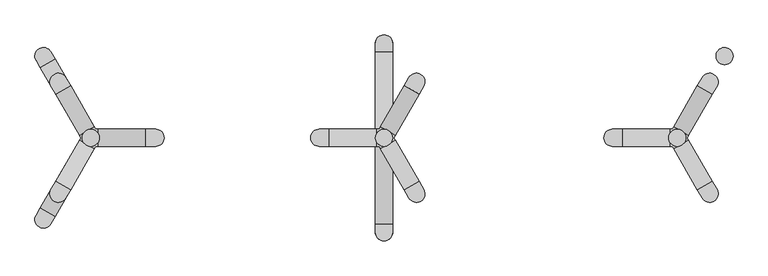
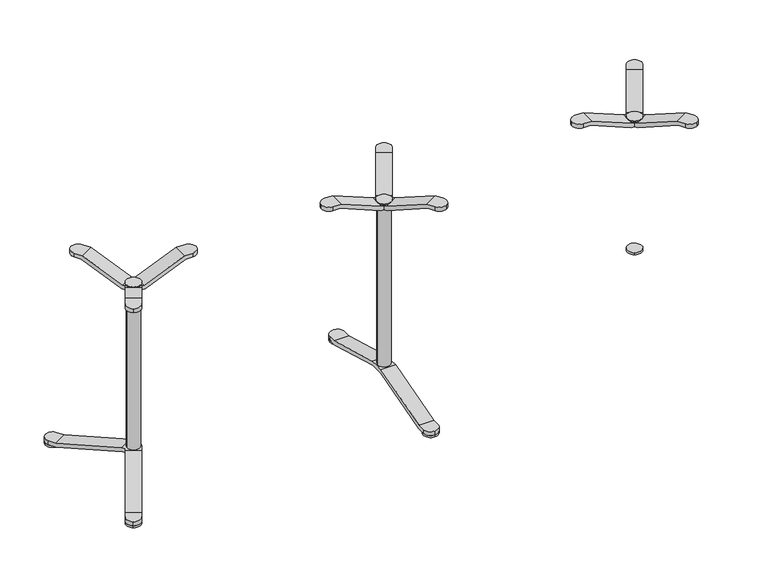
"""IFC4 building model written with IfcOpenShell, lengths in millimetres: furniture geometry."""

from ifc_helpers import new_model, si_unit, point, frame, frame_2d, origin, origin_with_axes, origin_2d, place, context, project, spatial, circle_curve, ellipse_curve, trimmed, segment, composite_curve, outline, extrude, source, transform, mapped, element, save
from ifc_brep_helpers import plane_surface, cylinder_surface, advanced_brep


def furniture_a04db0ed(model_context):
    return source(origin(), model_context, "Body", "SolidModel", [
        advanced_brep(
        [(-226.0569027, -35.0, 1024.0), (-226.0569027, 35.0, 1024.0), (-265.0, 35.0, 1024.0), (-300.0, 0.0, 1024.0), (-265.0, -35.0, 1024.0), (-230.0, -35.0, 1004.0), (-265.0, -35.0, 1004.0), (-300.0, 0.0, 1004.0), (-265.0, 35.0, 1004.0), (-230.0, 35.0, 1004.0), (-31.0569027, -35.0, 944.0), (-31.0569027, -16.1390456, 944.0), (-35.0, 0.0, 945.6176809), (-31.0569027, 16.1390456, 944.0), (-31.0569027, 35.0, 944.0), (-35.0, 35.0, 924.0), (-35.0, -35.0, 924.0), (-35.0, 0.0, 948.0), (35.0, 0.0, 948.0), (1.5516279, -34.9655895, 944.0), (29.5052748, -18.8265439, 944.0), (35.0, 0.0, 944.0), (29.5052748, 18.8265439, 944.0), (1.5516279, 34.9655895, 944.0), (-20.2072594, -35.0, 924.0), (-20.2072594, -35.0, 944.0), (-20.2072594, 35.0, 944.0), (-20.2072594, 35.0, 924.0), (-14.7824378, -44.3960667, 944.0), (-14.7824378, 44.3960667, 944.0), (45.8393405, 9.3960667, 944.0), (45.8393405, -9.3960667, 944.0), (40.4145188, 0.0, 944.0), (-12.8108891, 47.8108891, 924.0), (47.8108891, 12.8108891, 924.0), (40.4145188, 0.0, 924.0), (47.8108891, -12.8108891, 924.0), (-12.8108891, -47.8108891, 924.0), (82.7175622, 213.2710205, 1024.0), (143.3393405, 178.2710205, 1024.0), (162.8108891, 211.996732, 1024.0), (150.0, 259.8076211, 1024.0), (102.1891109, 246.996732, 1024.0), (84.6891109, 216.6858429, 1004.0), (102.1891109, 246.996732, 1004.0), (150.0, 259.8076211, 1004.0), (162.8108891, 211.996732, 1004.0), (145.3108891, 181.6858429, 1004.0), (150.0, -259.8076211, 1024.0), (162.8108891, -211.996732, 1024.0), (143.3393405, -178.2710205, 1024.0), (82.7175622, -213.2710205, 1024.0), (102.1891109, -246.996732, 1024.0), (150.0, -259.8076211, 1004.0), (102.1891109, -246.996732, 1004.0), (84.6891109, -216.6858429, 1004.0), (145.3108891, -181.6858429, 1004.0), (162.8108891, -211.996732, 1004.0)],
        [
            (0, 1),
            (1, 2),
            (2, 3, circle_curve(frame((-265.0, 0.0, 1024.0), z_axis=(0.0, 0.0, 1.0), x_axis=(1.0, 0.0, 0.0)), 35.0)),
            (3, 4, circle_curve(frame((-265.0, 0.0, 1024.0), z_axis=(0.0, 0.0, 1.0), x_axis=(1.0, 0.0, 0.0)), 35.0)),
            (4, 0),
            (5, 6),
            (6, 7, circle_curve(frame((-265.0, 0.0, 1004.0), z_axis=(0.0, 0.0, -1.0), x_axis=(1.0, 0.0, 0.0)), 35.0)),
            (7, 8, circle_curve(frame((-265.0, 0.0, 1004.0), z_axis=(0.0, 0.0, -1.0), x_axis=(1.0, 0.0, 0.0)), 35.0)),
            (8, 9),
            (9, 5),
            (3, 7),
            (6, 4),
            (2, 8),
            (0, 10),
            (10, 11),
            (11, 12, ellipse_curve(frame((0.0, 0.0, 931.2587066), z_axis=(-0.37955635625630724, 0.0, -0.9251686183747454), x_axis=(-0.9251686183747455, 0.0, 0.37955635625630696)), 37.8309416, 35.0)),
            (12, 13, ellipse_curve(frame((0.0, 0.0, 931.2587066), z_axis=(-0.37955635625630724, 0.0, -0.9251686183747454), x_axis=(-0.9251686183747455, 0.0, 0.37955635625630696)), 37.8309416, 35.0)),
            (13, 14),
            (14, 1),
            (9, 15),
            (15, 16),
            (16, 5),
            (17, 18, circle_curve(frame((0.0, 0.0, 948.0), z_axis=(0.0, 0.0, 1.0), x_axis=(1.0, 0.0, 0.0)), 35.0)),
            (18, 17, circle_curve(frame((0.0, 0.0, 948.0), z_axis=(0.0, 0.0, 1.0), x_axis=(1.0, 0.0, 0.0)), 35.0)),
            (17, 12),
            (11, 19, circle_curve(frame((0.0, 0.0, 944.0), z_axis=(0.0, 0.0, 1.0), x_axis=(1.0, 0.0, 0.0)), 35.0)),
            (19, 20, ellipse_curve(frame((0.0, 0.0, 931.2587066), z_axis=(-0.18977817812817024, 0.32870544668580903, 0.9251686183747454), x_axis=(0.46258430918741966, -0.8012195262966529, 0.37955635625630724)), 37.8309416, 35.0)),
            (20, 21, circle_curve(frame((0.0, 0.0, 944.0), z_axis=(0.0, 0.0, 1.0), x_axis=(1.0, 0.0, 0.0)), 35.0)),
            (21, 18),
            (21, 22, circle_curve(frame((0.0, 0.0, 944.0), z_axis=(0.0, 0.0, 1.0), x_axis=(1.0, 0.0, 0.0)), 35.0)),
            (22, 23, ellipse_curve(frame((0.0, 0.0, 931.2587066), z_axis=(-0.18977817812813838, -0.3287054466858273, 0.9251686183747454), x_axis=(0.4625843091873421, 0.8012195262966977, 0.3795563562563073)), 37.8309416, 35.0)),
            (23, 13, circle_curve(frame((0.0, 0.0, 944.0), z_axis=(0.0, 0.0, 1.0), x_axis=(1.0, 0.0, 0.0)), 35.0)),
            (16, 24),
            (24, 25),
            (25, 10),
            (14, 26),
            (26, 27),
            (27, 15),
            (25, 28),
            (28, 19),
            (23, 29),
            (29, 26),
            (30, 22),
            (20, 31),
            (31, 32),
            (32, 30),
            (27, 33),
            (33, 34),
            (34, 35),
            (35, 36),
            (36, 37),
            (37, 24),
            (38, 39),
            (39, 40),
            (40, 41, circle_curve(frame((132.5, 229.496732, 1024.0), z_axis=(0.0, 0.0, 1.0), x_axis=(-0.5000000000000033, -0.8660254037844368, 0.0)), 35.0)),
            (41, 42, circle_curve(frame((132.5, 229.496732, 1024.0), z_axis=(0.0, 0.0, 1.0), x_axis=(-0.5000000000000033, -0.8660254037844368, 0.0)), 35.0)),
            (42, 38),
            (43, 44),
            (44, 45, circle_curve(frame((132.5, 229.496732, 1004.0), z_axis=(0.0, 0.0, -1.0), x_axis=(-0.5000000000000033, -0.8660254037844368, 0.0)), 35.0)),
            (45, 46, circle_curve(frame((132.5, 229.496732, 1004.0), z_axis=(0.0, 0.0, -1.0), x_axis=(-0.5000000000000033, -0.8660254037844368, 0.0)), 35.0)),
            (46, 47),
            (47, 43),
            (41, 45),
            (44, 42),
            (40, 46),
            (38, 29),
            (30, 39),
            (47, 34),
            (33, 43),
            (32, 35),
            (48, 49, circle_curve(frame((132.5, -229.496732, 1024.0), z_axis=(0.0, 0.0, 1.0), x_axis=(-0.4999999999999982, 0.8660254037844397, 0.0)), 35.0)),
            (49, 50),
            (50, 51),
            (51, 52),
            (52, 48, circle_curve(frame((132.5, -229.496732, 1024.0), z_axis=(0.0, 0.0, 1.0), x_axis=(-0.4999999999999982, 0.8660254037844397, 0.0)), 35.0)),
            (53, 54, circle_curve(frame((132.5, -229.496732, 1004.0), z_axis=(0.0, 0.0, -1.0), x_axis=(-0.4999999999999982, 0.8660254037844397, 0.0)), 35.0)),
            (54, 55),
            (55, 56),
            (56, 57),
            (57, 53, circle_curve(frame((132.5, -229.496732, 1004.0), z_axis=(0.0, 0.0, -1.0), x_axis=(-0.4999999999999982, 0.8660254037844397, 0.0)), 35.0)),
            (48, 53),
            (57, 49),
            (52, 54),
            (50, 31),
            (28, 51),
            (55, 37),
            (36, 56),
        ],
        [
            plane_surface(frame((-230.0, 0.0, 1024.0), z_axis=(0.0, 0.0, 1.0), x_axis=(0.0, 1.0, 0.0))),
            plane_surface(frame((-230.0, 0.0, 1004.0), z_axis=(0.0, 0.0, -1.0), x_axis=(0.0, -1.0, 0.0))),
            cylinder_surface(frame((-265.0, 0.0, 1004.0), z_axis=(0.0, 0.0, 1.0), x_axis=(1.0, 0.0, 0.0)), 35.0),
            plane_surface(frame((-226.0569027, -35.0, 1024.0), z_axis=(0.37955635625630724, 0.0, 0.9251686183747454), x_axis=(0.9251686183747454, 0.0, -0.37955635625630724))),
            plane_surface(frame((-230.0, 35.0, 1004.0), z_axis=(-0.37955635625630724, 0.0, -0.9251686183747454), x_axis=(0.9251686183747454, 0.0, -0.37955635625630724))),
            plane_surface(frame((35.0, 0.0, 948.0), z_axis=(0.0, 0.0, 1.0), x_axis=(0.0, 1.0, 0.0))),
            cylinder_surface(frame((0.0, 0.0, 924.0), z_axis=(0.0, 0.0, 1.0), x_axis=(1.0, 0.0, 0.0)), 35.0),
            plane_surface(frame((-265.0, -35.0, 1004.0), z_axis=(0.0, -1.0, 0.0), x_axis=(1.0, 0.0, 0.0))),
            plane_surface(frame((-265.0, 35.0, 1024.0), z_axis=(0.0, 1.0, 0.0), x_axis=(1.0, 0.0, 0.0))),
            plane_surface(frame((-31.0569027, -35.0, 944.0), z_axis=(0.0, 0.0, 1.0), x_axis=(1.0, 0.0, 0.0))),
            plane_surface(frame((-35.0, 35.0, 924.0), z_axis=(0.0, 0.0, -1.0), x_axis=(1.0, 0.0, 0.0))),
            plane_surface(frame((115.0, 199.1858429, 1024.0), z_axis=(0.0, 0.0, 1.0000000000000002), x_axis=(0.8660254037844368, -0.5000000000000033, 0.0))),
            plane_surface(frame((115.0, 199.1858429, 1004.0), z_axis=(0.0, 0.0, -1.0000000000000002), x_axis=(-0.8660254037844368, 0.5000000000000033, 0.0))),
            cylinder_surface(frame((132.5, 229.496732, 1004.0), z_axis=(0.0, 0.0, 1.0000000000000002), x_axis=(-0.5000000000000033, -0.8660254037844368, 0.0)), 35.0),
            plane_surface(frame((82.7175622, 213.2710205, 1024.0), z_axis=(-0.18977817812813838, -0.3287054466858273, 0.9251686183747454), x_axis=(-0.46258430918737786, -0.8012195262966771, -0.379556356256307))),
            plane_surface(frame((145.3108891, 181.6858429, 1004.0), z_axis=(0.18977817812813805, 0.32870544668582763, -0.9251686183747454), x_axis=(-0.46258430918737803, -0.801219526296677, -0.3795563562563071))),
            plane_surface(frame((102.1891109, 246.996732, 1004.0), z_axis=(-0.8660254037844353, 0.500000000000006, 0.0), x_axis=(-0.500000000000006, -0.8660254037844353, 0.0))),
            plane_surface(frame((162.8108891, 211.996732, 1024.0), z_axis=(0.8660254037844354, -0.5000000000000057, 0.0), x_axis=(-0.5000000000000057, -0.8660254037844354, 0.0))),
            plane_surface(frame((115.0, -199.1858429, 1024.0), z_axis=(0.0, 0.0, 1.0), x_axis=(-0.8660254037844397, -0.4999999999999982, 0.0))),
            plane_surface(frame((115.0, -199.1858429, 1004.0), z_axis=(0.0, 0.0, -1.0), x_axis=(0.8660254037844397, 0.4999999999999982, 0.0))),
            cylinder_surface(frame((132.5, -229.496732, 1004.0), z_axis=(0.0, 0.0, 1.0), x_axis=(-0.4999999999999982, 0.8660254037844397, 0.0)), 35.0),
            plane_surface(frame((143.3393405, -178.2710205, 1024.0), z_axis=(-0.18977817812817024, 0.32870544668580903, 0.9251686183747454), x_axis=(-0.462584309187371, 0.801219526296681, -0.3795563562563072))),
            plane_surface(frame((84.6891109, -216.6858429, 1004.0), z_axis=(0.1897781781281706, -0.32870544668580876, -0.9251686183747455), x_axis=(-0.46258430918737103, 0.8012195262966811, -0.3795563562563071))),
            plane_surface(frame((162.8108891, -211.996732, 1004.0), z_axis=(0.8660254037844399, 0.4999999999999979, 0.0), x_axis=(-0.4999999999999979, 0.8660254037844399, 0.0))),
            plane_surface(frame((102.1891109, -246.996732, 1024.0), z_axis=(-0.8660254037844398, -0.49999999999999806, 0.0), x_axis=(-0.49999999999999806, 0.8660254037844398, 0.0))),
        ],
        [
            (0, [[1, 2, 3, 4, 5]]),
            (1, [[6, 7, 8, 9, 10]]),
            (2, [[11, -7, 12, -4]]),
            (2, [[-11, -3, 13, -8]]),
            (3, [[-1, 14, 15, 16, 17, 18, 19]]),
            (4, [[20, 21, 22, -10]]),
            (5, [[23, 24]]),
            (6, [[-23, 25, -16, 26, 27, 28, 29]]),
            (6, [[-24, -29, 30, 31, 32, -17, -25]]),
            (7, [[-14, -5, -12, -6, -22, 33, 34, 35]]),
            (8, [[-19, 36, 37, 38, -20, -9, -13, -2]]),
            (9, [[-15, -35, 39, 40, -26]]),
            (9, [[-18, -32, 41, 42, -36]]),
            (9, [[43, -30, -28, 44, 45, 46]]),
            (10, [[-21, -38, 47, 48, 49, 50, 51, 52, -33]]),
            (11, [[53, 54, 55, 56, 57]]),
            (12, [[58, 59, 60, 61, 62]]),
            (13, [[63, -59, 64, -56]]),
            (13, [[-63, -55, 65, -60]]),
            (14, [[-53, 66, -41, -31, -43, 67]]),
            (15, [[68, -48, 69, -62]]),
            (16, [[-66, -57, -64, -58, -69, -47, -37, -42]]),
            (17, [[-67, -46, 70, -49, -68, -61, -65, -54]]),
            (18, [[71, 72, 73, 74, 75]]),
            (19, [[76, 77, 78, 79, 80]]),
            (20, [[81, -80, 82, -71]]),
            (20, [[-81, -75, 83, -76]]),
            (21, [[-73, 84, -44, -27, -40, 85]]),
            (22, [[-78, 86, -51, 87]]),
            (23, [[-84, -72, -82, -79, -87, -50, -70, -45]]),
            (24, [[-85, -39, -34, -52, -86, -77, -83, -74]]),
        ],
    ),
        extrude(outline(composite_curve([segment(trimmed(circle_curve(frame_2d((0.0, 387.0)), 35.0), [point((0.0, 352.0))], [point((0.0, 422.0))], False, "CARTESIAN"), True, "CONTINUOUS"), segment(trimmed(circle_curve(frame_2d((0.0, 387.0)), 35.0), [point((0.0, 422.0))], [point((0.0, 352.0))], False, "CARTESIAN"), True, "CONTINUOUS")], self_intersect=False)), origin_with_axes(), (0.0, 0.0, 1.0), 10.0),
        advanced_brep(
        [(35.0, -349.2530015, 10.0), (-35.0, -349.2530015, 10.0), (-35.0, -32.2530015, 98.7542004), (-13.5920526, -32.2530015, 98.7542004), (13.5920526, -32.2530015, 98.7542004), (35.0, -32.2530015, 98.7542004), (35.0, -352.0, 30.0), (35.0, -35.0, 118.7542004), (0.0, -35.0, 118.7542004), (-35.0, -35.0, 118.7542004), (-35.0, -352.0, 30.0), (35.0, 0.0, 98.7542004), (35.0, 32.2530015, 98.7542004), (35.0, 349.2530015, 10.0), (35.0, 387.0, 10.0), (35.0, 387.0, 30.0), (35.0, 352.0, 30.0), (35.0, 35.0, 118.7542004), (35.0, 0.0, 118.7542004), (35.0, -387.0, 30.0), (35.0, -387.0, 10.0), (0.0, -422.0, 10.0), (-35.0, -387.0, 10.0), (-35.0, -387.0, 30.0), (-35.0, 0.0, 118.7542004), (-35.0, 35.0, 118.7542004), (-35.0, 352.0, 30.0), (-35.0, 387.0, 30.0), (-35.0, 387.0, 10.0), (-35.0, 349.2530015, 10.0), (-35.0, 32.2530015, 98.7542004), (-35.0, 0.0, 98.7542004), (0.0, -422.0, 30.0), (-13.5920526, 32.2530015, 98.7542004), (13.5920526, 32.2530015, 98.7542004), (0.0, 35.0, 118.7542004), (0.0, 422.0, 10.0), (0.0, 422.0, 30.0)],
        [
            (0, 1),
            (1, 2),
            (2, 3),
            (3, 4),
            (4, 5),
            (5, 0),
            (6, 7),
            (7, 8),
            (8, 9),
            (9, 10),
            (10, 6),
            (5, 11),
            (11, 12),
            (12, 13),
            (13, 14),
            (14, 15),
            (15, 16),
            (16, 17),
            (17, 18),
            (18, 7),
            (6, 19),
            (19, 20),
            (20, 0),
            (20, 21, circle_curve(frame((0.0, -387.0, 10.0), z_axis=(0.0, 0.0, -1.0), x_axis=(0.0, 1.0, 0.0)), 35.0)),
            (21, 22, circle_curve(frame((0.0, -387.0, 10.0), z_axis=(0.0, 0.0, -1.0), x_axis=(0.0, 1.0, 0.0)), 35.0)),
            (22, 1),
            (22, 23),
            (23, 10),
            (9, 24),
            (24, 25),
            (25, 26),
            (26, 27),
            (27, 28),
            (28, 29),
            (29, 30),
            (30, 31),
            (31, 2),
            (23, 32, circle_curve(frame((0.0, -387.0, 30.0), z_axis=(0.0, 0.0, 1.0), x_axis=(0.0, 1.0, 0.0)), 35.0)),
            (32, 19, circle_curve(frame((0.0, -387.0, 30.0), z_axis=(0.0, 0.0, 1.0), x_axis=(0.0, 1.0, 0.0)), 35.0)),
            (30, 33),
            (33, 34),
            (34, 12),
            (17, 35),
            (35, 25),
            (21, 32),
            (29, 13),
            (16, 26),
            (28, 36, circle_curve(frame((0.0, 387.0, 10.0), z_axis=(0.0, 0.0, -1.0), x_axis=(0.0, -1.0, 0.0)), 35.0)),
            (36, 14, circle_curve(frame((0.0, 387.0, 10.0), z_axis=(0.0, 0.0, -1.0), x_axis=(0.0, -1.0, 0.0)), 35.0)),
            (15, 37, circle_curve(frame((0.0, 387.0, 30.0), z_axis=(0.0, 0.0, 1.0), x_axis=(0.0, -1.0, 0.0)), 35.0)),
            (37, 27, circle_curve(frame((0.0, 387.0, 30.0), z_axis=(0.0, 0.0, 1.0), x_axis=(0.0, -1.0, 0.0)), 35.0)),
            (36, 37),
        ],
        [
            plane_surface(frame((-35.0, -349.2530015, 10.0), z_axis=(0.0, 0.2696135884040196, -0.9629685939572007), x_axis=(0.0, 0.9629685939572007, 0.2696135884040196))),
            plane_surface(frame((35.0, -352.0, 30.0), z_axis=(0.0, -0.26961358840401956, 0.9629685939572007), x_axis=(0.0, 0.9629685939572007, 0.26961358840401956))),
            plane_surface(frame((35.0, -387.0, 10.0), z_axis=(1.0, 0.0, 0.0), x_axis=(0.0, 1.0, 0.0))),
            plane_surface(frame((-35.0, -387.0, 10.0), z_axis=(0.0, 0.0, -1.0), x_axis=(0.0, 1.0, 0.0))),
            plane_surface(frame((-35.0, -387.0, 30.0), z_axis=(-1.0, 0.0, 0.0), x_axis=(0.0, 1.0, 0.0))),
            plane_surface(frame((35.0, -387.0, 30.0), z_axis=(0.0, 0.0, 1.0), x_axis=(0.0, 1.0, 0.0))),
            plane_surface(frame((-35.0, -32.2530015, 98.7542004), z_axis=(0.0, 0.0, -1.0), x_axis=(0.0, 1.0, 0.0))),
            plane_surface(frame((35.0, -35.0, 118.7542004), z_axis=(0.0, 0.0, 1.0), x_axis=(0.0, 1.0, 0.0))),
            cylinder_surface(frame((0.0, -387.0, 10.0), z_axis=(0.0, 0.0, 1.0), x_axis=(0.0, 1.0, 0.0)), 35.0),
            plane_surface(frame((35.0, 349.2530015, 10.0), z_axis=(0.0, -0.26961358840401967, -0.9629685939572007), x_axis=(0.0, -0.9629685939572007, 0.26961358840401967))),
            plane_surface(frame((-35.0, 352.0, 30.0), z_axis=(0.0, 0.26961358840401967, 0.9629685939572007), x_axis=(0.0, -0.9629685939572007, 0.26961358840401967))),
            plane_surface(frame((35.0, 387.0, 10.0), z_axis=(0.0, 0.0, -1.0), x_axis=(0.0, -1.0, 0.0))),
            plane_surface(frame((-35.0, 387.0, 30.0), z_axis=(0.0, 0.0, 1.0), x_axis=(0.0, -1.0, 0.0))),
            cylinder_surface(frame((0.0, 387.0, 10.0), z_axis=(0.0, 0.0, 1.0), x_axis=(0.0, -1.0, 0.0)), 35.0),
        ],
        [
            (0, [[1, 2, 3, 4, 5, 6]]),
            (1, [[7, 8, 9, 10, 11]]),
            (2, [[-6, 12, 13, 14, 15, 16, 17, 18, 19, 20, -7, 21, 22, 23]]),
            (3, [[-1, -23, 24, 25, 26]]),
            (4, [[-2, -26, 27, 28, -10, 29, 30, 31, 32, 33, 34, 35, 36, 37]]),
            (5, [[-21, -11, -28, 38, 39]]),
            (6, [[-5, -4, -3, -37, -36, 40, 41, 42, -13, -12]]),
            (7, [[-8, -20, -19, 43, 44, -30, -29, -9]]),
            (8, [[45, -38, -27, -25]]),
            (8, [[-45, -24, -22, -39]]),
            (9, [[46, -14, -42, -41, -40, -35]]),
            (10, [[-31, -44, -43, -18, 47]]),
            (11, [[-46, -34, 48, 49, -15]]),
            (12, [[-32, -47, -17, 50, 51]]),
            (13, [[52, -50, -16, -49]]),
            (13, [[-52, -48, -33, -51]]),
        ],
    ),
        extrude(outline(composite_curve([segment(trimmed(circle_curve(origin_2d(), 30.0), [point((-30.0, 0.0))], [point((30.0, 0.0))], False, "CARTESIAN"), True, "CONTINUOUS"), segment(trimmed(circle_curve(origin_2d(), 30.0), [point((30.0, 0.0))], [point((-30.0, 0.0))], False, "CARTESIAN"), True, "CONTINUOUS")], self_intersect=False)), frame((0.0, 0.0, 118.7542004), z_axis=(0.0, 0.0, 1.0), x_axis=(1.0, 0.0, 0.0)), (0.0, 0.0, 1.0), 805.2457996),
        extrude(outline(composite_curve([segment(trimmed(circle_curve(frame_2d((0.0, -387.0)), 35.0), [point((0.0, -352.0))], [point((0.0, -422.0))], False, "CARTESIAN"), True, "CONTINUOUS"), segment(trimmed(circle_curve(frame_2d((0.0, -387.0)), 35.0), [point((0.0, -422.0))], [point((0.0, -352.0))], False, "CARTESIAN"), True, "CONTINUOUS")], self_intersect=False)), origin_with_axes(), (0.0, 0.0, 1.0), 10.0),
        advanced_brep(
        [(-973.9430973, -35.0, 1024.0), (-935.0, -35.0, 1024.0), (-900.0, 0.0, 1024.0), (-935.0, 35.0, 1024.0), (-973.9430973, 35.0, 1024.0), (-970.0, -35.0, 1004.0), (-970.0, 35.0, 1004.0), (-935.0, 35.0, 1004.0), (-900.0, 0.0, 1004.0), (-935.0, -35.0, 1004.0), (-1168.9430973, 35.0, 944.0), (-1168.9430973, 16.1390456, 944.0), (-1165.0, 0.0, 945.6176809), (-1168.9430973, -16.1390456, 944.0), (-1168.9430973, -35.0, 944.0), (-1165.0, -35.0, 924.0), (-1165.0, 35.0, 924.0), (-1165.0, 0.0, 948.0), (-1235.0, 0.0, 948.0), (-1235.0, 0.0, 944.0), (-1229.5052748, -18.8265439, 944.0), (-1201.5516279, -34.9655895, 944.0), (-1201.5516279, 34.9655895, 944.0), (-1229.5052748, 18.8265439, 944.0), (-1179.7927406, -35.0, 944.0), (-1179.7927406, -35.0, 924.0), (-1179.7927406, 35.0, 924.0), (-1179.7927406, 35.0, 944.0), (-1185.2175622, -44.3960667, 944.0), (-1185.2175622, 44.3960667, 944.0), (-1245.8393405, 9.3960667, 944.0), (-1240.4145188, 0.0, 944.0), (-1245.8393405, -9.3960667, 944.0), (-1187.1891109, -47.8108891, 924.0), (-1247.8108891, -12.8108891, 924.0), (-1240.4145188, 0.0, 924.0), (-1247.8108891, 12.8108891, 924.0), (-1187.1891109, 47.8108891, 924.0), (-1282.7175622, 213.2710205, 1024.0), (-1302.1891109, 246.996732, 1024.0), (-1350.0, 259.8076211, 1024.0), (-1362.8108891, 211.996732, 1024.0), (-1343.3393405, 178.2710205, 1024.0), (-1284.6891109, 216.6858429, 1004.0), (-1345.3108891, 181.6858429, 1004.0), (-1362.8108891, 211.996732, 1004.0), (-1350.0, 259.8076211, 1004.0), (-1302.1891109, 246.996732, 1004.0), (-1350.0, -259.8076211, 1024.0), (-1302.1891109, -246.996732, 1024.0), (-1282.7175622, -213.2710205, 1024.0), (-1343.3393405, -178.2710205, 1024.0), (-1362.8108891, -211.996732, 1024.0), (-1350.0, -259.8076211, 1004.0), (-1362.8108891, -211.996732, 1004.0), (-1345.3108891, -181.6858429, 1004.0), (-1284.6891109, -216.6858429, 1004.0), (-1302.1891109, -246.996732, 1004.0)],
        [
            (0, 1),
            (1, 2, circle_curve(frame((-935.0, 0.0, 1024.0), z_axis=(0.0, 0.0, 1.0), x_axis=(-1.0, 0.0, 0.0)), 35.0)),
            (2, 3, circle_curve(frame((-935.0, 0.0, 1024.0), z_axis=(0.0, 0.0, 1.0), x_axis=(-1.0, 0.0, 0.0)), 35.0)),
            (3, 4),
            (4, 0),
            (5, 6),
            (6, 7),
            (7, 8, circle_curve(frame((-935.0, 0.0, 1004.0), z_axis=(0.0, 0.0, -1.0), x_axis=(-1.0, 0.0, 0.0)), 35.0)),
            (8, 9, circle_curve(frame((-935.0, 0.0, 1004.0), z_axis=(0.0, 0.0, -1.0), x_axis=(-1.0, 0.0, 0.0)), 35.0)),
            (9, 5),
            (1, 9),
            (8, 2),
            (7, 3),
            (4, 10),
            (10, 11),
            (11, 12, ellipse_curve(frame((-1200.0, 0.0, 931.2587066), z_axis=(0.37955635625630724, 0.0, -0.9251686183747454), x_axis=(0.9251686183747455, 0.0, 0.37955635625630696)), 37.8309416, 35.0)),
            (12, 13, ellipse_curve(frame((-1200.0, 0.0, 931.2587066), z_axis=(0.37955635625630724, 0.0, -0.9251686183747454), x_axis=(0.9251686183747455, 0.0, 0.37955635625630696)), 37.8309416, 35.0)),
            (13, 14),
            (14, 0),
            (5, 15),
            (15, 16),
            (16, 6),
            (17, 18, circle_curve(frame((-1200.0, 0.0, 948.0), z_axis=(0.0, 0.0, 1.0), x_axis=(-1.0, 0.0, 0.0)), 35.0)),
            (18, 17, circle_curve(frame((-1200.0, 0.0, 948.0), z_axis=(0.0, 0.0, 1.0), x_axis=(-1.0, 0.0, 0.0)), 35.0)),
            (18, 19),
            (19, 20, circle_curve(frame((-1200.0, 0.0, 944.0), z_axis=(0.0, 0.0, 1.0), x_axis=(-1.0, 0.0, 0.0)), 35.0)),
            (20, 21, ellipse_curve(frame((-1200.0, 0.0, 931.2587066), z_axis=(0.18977817812817024, 0.32870544668580903, 0.9251686183747454), x_axis=(-0.46258430918741966, -0.8012195262966529, 0.37955635625630724)), 37.8309416, 35.0)),
            (21, 13, circle_curve(frame((-1200.0, 0.0, 944.0), z_axis=(0.0, 0.0, 1.0), x_axis=(-1.0, 0.0, 0.0)), 35.0)),
            (12, 17),
            (11, 22, circle_curve(frame((-1200.0, 0.0, 944.0), z_axis=(0.0, 0.0, 1.0), x_axis=(-1.0, 0.0, 0.0)), 35.0)),
            (22, 23, ellipse_curve(frame((-1200.0, 0.0, 931.2587066), z_axis=(0.18977817812813838, -0.3287054466858273, 0.9251686183747454), x_axis=(-0.4625843091873421, 0.8012195262966977, 0.3795563562563073)), 37.8309416, 35.0)),
            (23, 19, circle_curve(frame((-1200.0, 0.0, 944.0), z_axis=(0.0, 0.0, 1.0), x_axis=(-1.0, 0.0, 0.0)), 35.0)),
            (14, 24),
            (24, 25),
            (25, 15),
            (16, 26),
            (26, 27),
            (27, 10),
            (21, 28),
            (28, 24),
            (27, 29),
            (29, 22),
            (30, 31),
            (31, 32),
            (32, 20),
            (23, 30),
            (25, 33),
            (33, 34),
            (34, 35),
            (35, 36),
            (36, 37),
            (37, 26),
            (38, 39),
            (39, 40, circle_curve(frame((-1332.5, 229.496732, 1024.0), z_axis=(0.0, 0.0, 1.0), x_axis=(0.5000000000000033, -0.8660254037844368, 0.0)), 35.0)),
            (40, 41, circle_curve(frame((-1332.5, 229.496732, 1024.0), z_axis=(0.0, 0.0, 1.0), x_axis=(0.5000000000000033, -0.8660254037844368, 0.0)), 35.0)),
            (41, 42),
            (42, 38),
            (43, 44),
            (44, 45),
            (45, 46, circle_curve(frame((-1332.5, 229.496732, 1004.0), z_axis=(0.0, 0.0, -1.0), x_axis=(0.5000000000000033, -0.8660254037844368, 0.0)), 35.0)),
            (46, 47, circle_curve(frame((-1332.5, 229.496732, 1004.0), z_axis=(0.0, 0.0, -1.0), x_axis=(0.5000000000000033, -0.8660254037844368, 0.0)), 35.0)),
            (47, 43),
            (39, 47),
            (46, 40),
            (45, 41),
            (42, 30),
            (29, 38),
            (43, 37),
            (36, 44),
            (35, 31),
            (48, 49, circle_curve(frame((-1332.5, -229.496732, 1024.0), z_axis=(0.0, 0.0, 1.0), x_axis=(0.4999999999999982, 0.8660254037844397, 0.0)), 35.0)),
            (49, 50),
            (50, 51),
            (51, 52),
            (52, 48, circle_curve(frame((-1332.5, -229.496732, 1024.0), z_axis=(0.0, 0.0, 1.0), x_axis=(0.4999999999999982, 0.8660254037844397, 0.0)), 35.0)),
            (53, 54, circle_curve(frame((-1332.5, -229.496732, 1004.0), z_axis=(0.0, 0.0, -1.0), x_axis=(0.4999999999999982, 0.8660254037844397, 0.0)), 35.0)),
            (54, 55),
            (55, 56),
            (56, 57),
            (57, 53, circle_curve(frame((-1332.5, -229.496732, 1004.0), z_axis=(0.0, 0.0, -1.0), x_axis=(0.4999999999999982, 0.8660254037844397, 0.0)), 35.0)),
            (52, 54),
            (53, 48),
            (57, 49),
            (50, 28),
            (32, 51),
            (55, 34),
            (33, 56),
        ],
        [
            plane_surface(frame((-970.0, 0.0, 1024.0), z_axis=(0.0, 0.0, 1.0), x_axis=(0.0, 1.0, 0.0))),
            plane_surface(frame((-970.0, 0.0, 1004.0), z_axis=(0.0, 0.0, -1.0), x_axis=(0.0, -1.0, 0.0))),
            cylinder_surface(frame((-935.0, 0.0, 1004.0), z_axis=(0.0, 0.0, 1.0), x_axis=(-1.0, 0.0, 0.0)), 35.0),
            plane_surface(frame((-973.9430973, -35.0, 1024.0), z_axis=(-0.37955635625630724, 0.0, 0.9251686183747454), x_axis=(-0.9251686183747454, 0.0, -0.37955635625630724))),
            plane_surface(frame((-970.0, 35.0, 1004.0), z_axis=(0.37955635625630724, 0.0, -0.9251686183747454), x_axis=(-0.9251686183747454, 0.0, -0.37955635625630724))),
            plane_surface(frame((-1235.0, 0.0, 948.0), z_axis=(0.0, 0.0, 1.0), x_axis=(0.0, 1.0, 0.0))),
            cylinder_surface(frame((-1200.0, 0.0, 924.0), z_axis=(0.0, 0.0, 1.0), x_axis=(-1.0, 0.0, 0.0)), 35.0),
            plane_surface(frame((-935.0, -35.0, 1004.0), z_axis=(0.0, -1.0, 0.0), x_axis=(-1.0, 0.0, 0.0))),
            plane_surface(frame((-935.0, 35.0, 1024.0), z_axis=(0.0, 1.0, 0.0), x_axis=(-1.0, 0.0, 0.0))),
            plane_surface(frame((-1168.9430973, -35.0, 944.0), z_axis=(0.0, 0.0, 1.0), x_axis=(-1.0, 0.0, 0.0))),
            plane_surface(frame((-1165.0, 35.0, 924.0), z_axis=(0.0, 0.0, -1.0), x_axis=(-1.0, 0.0, 0.0))),
            plane_surface(frame((-1315.0, 199.1858429, 1024.0), z_axis=(0.0, 0.0, 1.0000000000000002), x_axis=(-0.8660254037844368, -0.5000000000000033, 0.0))),
            plane_surface(frame((-1315.0, 199.1858429, 1004.0), z_axis=(0.0, 0.0, -1.0000000000000002), x_axis=(0.8660254037844368, 0.5000000000000033, 0.0))),
            cylinder_surface(frame((-1332.5, 229.496732, 1004.0), z_axis=(0.0, 0.0, 1.0000000000000002), x_axis=(0.5000000000000033, -0.8660254037844368, 0.0)), 35.0),
            plane_surface(frame((-1282.7175622, 213.2710205, 1024.0), z_axis=(0.18977817812813838, -0.3287054466858273, 0.9251686183747454), x_axis=(0.46258430918737786, -0.8012195262966771, -0.379556356256307))),
            plane_surface(frame((-1345.3108891, 181.6858429, 1004.0), z_axis=(-0.18977817812813805, 0.32870544668582763, -0.9251686183747454), x_axis=(0.46258430918737803, -0.801219526296677, -0.3795563562563071))),
            plane_surface(frame((-1302.1891109, 246.996732, 1004.0), z_axis=(0.8660254037844353, 0.500000000000006, 0.0), x_axis=(0.500000000000006, -0.8660254037844353, 0.0))),
            plane_surface(frame((-1362.8108891, 211.996732, 1024.0), z_axis=(-0.8660254037844354, -0.5000000000000057, 0.0), x_axis=(0.5000000000000057, -0.8660254037844354, 0.0))),
            plane_surface(frame((-1315.0, -199.1858429, 1024.0), z_axis=(0.0, 0.0, 1.0), x_axis=(0.8660254037844397, -0.4999999999999982, 0.0))),
            plane_surface(frame((-1315.0, -199.1858429, 1004.0), z_axis=(0.0, 0.0, -1.0), x_axis=(-0.8660254037844397, 0.4999999999999982, 0.0))),
            cylinder_surface(frame((-1332.5, -229.496732, 1004.0), z_axis=(0.0, 0.0, 1.0), x_axis=(0.4999999999999982, 0.8660254037844397, 0.0)), 35.0),
            plane_surface(frame((-1343.3393405, -178.2710205, 1024.0), z_axis=(0.18977817812817024, 0.32870544668580903, 0.9251686183747454), x_axis=(0.462584309187371, 0.801219526296681, -0.3795563562563072))),
            plane_surface(frame((-1284.6891109, -216.6858429, 1004.0), z_axis=(-0.1897781781281706, -0.32870544668580876, -0.9251686183747455), x_axis=(0.46258430918737103, 0.8012195262966811, -0.3795563562563071))),
            plane_surface(frame((-1362.8108891, -211.996732, 1004.0), z_axis=(-0.8660254037844399, 0.4999999999999979, 0.0), x_axis=(0.4999999999999979, 0.8660254037844399, 0.0))),
            plane_surface(frame((-1302.1891109, -246.996732, 1024.0), z_axis=(0.8660254037844398, -0.49999999999999806, 0.0), x_axis=(0.49999999999999806, 0.8660254037844398, 0.0))),
        ],
        [
            (0, [[1, 2, 3, 4, 5]]),
            (1, [[6, 7, 8, 9, 10]]),
            (2, [[-2, 11, -9, 12]]),
            (2, [[-8, 13, -3, -12]]),
            (3, [[14, 15, 16, 17, 18, 19, -5]]),
            (4, [[-6, 20, 21, 22]]),
            (5, [[23, 24]]),
            (6, [[25, 26, 27, 28, -17, 29, -24]]),
            (6, [[-29, -16, 30, 31, 32, -25, -23]]),
            (7, [[33, 34, 35, -20, -10, -11, -1, -19]]),
            (8, [[-4, -13, -7, -22, 36, 37, 38, -14]]),
            (9, [[-28, 39, 40, -33, -18]]),
            (9, [[-38, 41, 42, -30, -15]]),
            (9, [[43, 44, 45, -26, -32, 46]]),
            (10, [[-35, 47, 48, 49, 50, 51, 52, -36, -21]]),
            (11, [[53, 54, 55, 56, 57]]),
            (12, [[58, 59, 60, 61, 62]]),
            (13, [[-54, 63, -61, 64]]),
            (13, [[-60, 65, -55, -64]]),
            (14, [[66, -46, -31, -42, 67, -57]]),
            (15, [[-58, 68, -51, 69]]),
            (16, [[-41, -37, -52, -68, -62, -63, -53, -67]]),
            (17, [[-56, -65, -59, -69, -50, 70, -43, -66]]),
            (18, [[71, 72, 73, 74, 75]]),
            (19, [[76, 77, 78, 79, 80]]),
            (20, [[-75, 81, -76, 82]]),
            (20, [[-80, 83, -71, -82]]),
            (21, [[84, -39, -27, -45, 85, -73]]),
            (22, [[86, -48, 87, -78]]),
            (23, [[-44, -70, -49, -86, -77, -81, -74, -85]]),
            (24, [[-72, -83, -79, -87, -47, -34, -40, -84]]),
        ],
    ),
        extrude(outline(composite_curve([segment(trimmed(circle_curve(frame_2d((-1393.5, 335.1518313)), 35.0), [point((-1376.0, 304.8409421))], [point((-1411.0, 365.4627204))], False, "CARTESIAN"), True, "CONTINUOUS"), segment(trimmed(circle_curve(frame_2d((-1393.5, 335.1518313)), 35.0), [point((-1411.0, 365.4627204))], [point((-1376.0, 304.8409421))], False, "CARTESIAN"), True, "CONTINUOUS")], self_intersect=False)), origin_with_axes(), (0.0, 0.0, 1.0), 10.0),
        advanced_brep(
        [(-1404.9373899, -284.9619717, 10.0), (-1246.4373899, -10.4319187, 98.7542004), (-1185.8156116, -45.4319187, 98.7542004), (-1344.3156116, -319.9619717, 10.0), (-1406.3108891, -287.3409421, 30.0), (-1345.6891109, -322.3409421, 30.0), (-1187.1891109, -47.8108891, 118.7542004), (-1247.8108891, -12.8108891, 118.7542004), (-1423.8108891, -317.6518313, 10.0), (-1423.8108891, -317.6518313, 30.0), (-1240.4145188, 0.0, 118.7542004), (-1240.4145188, 0.0, 98.7542004), (-1363.1891109, -352.6518313, 10.0), (-1411.0, -365.4627204, 10.0), (-1169.6891109, -17.5, 98.7542004), (-1169.6891109, -17.5, 118.7542004), (-1363.1891109, -352.6518313, 30.0), (-1411.0, -365.4627204, 30.0), (-1246.4373899, 10.4319187, 98.7542004), (-1185.8156116, 45.4319187, 98.7542004), (-1169.6891109, 17.5, 98.7542004), (-1169.6891109, 17.5, 118.7542004), (-1187.1891109, 47.8108891, 118.7542004), (-1247.8108891, 12.8108891, 118.7542004), (-1344.3156116, 319.9619717, 10.0), (-1404.9373899, 284.9619717, 10.0), (-1345.6891109, 322.3409421, 30.0), (-1406.3108891, 287.3409421, 30.0), (-1363.1891109, 352.6518313, 10.0), (-1363.1891109, 352.6518313, 30.0), (-1423.8108891, 317.6518313, 10.0), (-1411.0, 365.4627204, 10.0), (-1423.8108891, 317.6518313, 30.0), (-1411.0, 365.4627204, 30.0)],
        [
            (0, 1),
            (1, 2),
            (2, 3),
            (3, 0),
            (4, 5),
            (5, 6),
            (6, 7),
            (7, 4),
            (0, 8),
            (8, 9),
            (9, 4),
            (7, 10),
            (10, 11),
            (11, 1),
            (3, 12),
            (12, 13, circle_curve(frame((-1393.5, -335.1518313, 10.0), z_axis=(0.0, 0.0, -1.0), x_axis=(0.49999999999999245, 0.866025403784443, 0.0)), 35.0)),
            (13, 8, circle_curve(frame((-1393.5, -335.1518313, 10.0), z_axis=(0.0, 0.0, -1.0), x_axis=(0.49999999999999245, 0.866025403784443, 0.0)), 35.0)),
            (2, 14),
            (14, 15),
            (15, 6),
            (5, 16),
            (16, 12),
            (9, 17, circle_curve(frame((-1393.5, -335.1518313, 30.0), z_axis=(0.0, 0.0, 1.0), x_axis=(0.49999999999999245, 0.866025403784443, 0.0)), 35.0)),
            (17, 16, circle_curve(frame((-1393.5, -335.1518313, 30.0), z_axis=(0.0, 0.0, 1.0), x_axis=(0.49999999999999245, 0.866025403784443, 0.0)), 35.0)),
            (11, 18),
            (18, 19),
            (19, 20),
            (20, 14, circle_curve(frame((-1200.0, 0.0, 98.7542004), z_axis=(0.0, 0.0, -1.0), x_axis=(-0.499999999999998, -0.8660254037844398, 0.0)), 35.0)),
            (15, 21, circle_curve(frame((-1200.0, 0.0, 118.7542004), z_axis=(0.0, 0.0, 1.0), x_axis=(-0.499999999999998, -0.8660254037844398, 0.0)), 35.0)),
            (21, 22),
            (22, 23),
            (23, 10),
            (17, 13),
            (24, 19),
            (18, 25),
            (25, 24),
            (26, 27),
            (27, 23),
            (22, 26),
            (24, 28),
            (28, 29),
            (29, 26),
            (21, 20),
            (25, 30),
            (30, 31, circle_curve(frame((-1393.5, 335.1518313, 10.0), z_axis=(0.0, 0.0, -1.0), x_axis=(0.5000000000000067, -0.8660254037844348, 0.0)), 35.0)),
            (31, 28, circle_curve(frame((-1393.5, 335.1518313, 10.0), z_axis=(0.0, 0.0, -1.0), x_axis=(0.5000000000000067, -0.8660254037844348, 0.0)), 35.0)),
            (27, 32),
            (32, 30),
            (29, 33, circle_curve(frame((-1393.5, 335.1518313, 30.0), z_axis=(0.0, 0.0, 1.0), x_axis=(0.5000000000000067, -0.8660254037844348, 0.0)), 35.0)),
            (33, 32, circle_curve(frame((-1393.5, 335.1518313, 30.0), z_axis=(0.0, 0.0, 1.0), x_axis=(0.5000000000000067, -0.8660254037844348, 0.0)), 35.0)),
            (33, 31),
        ],
        [
            plane_surface(frame((-1344.3156116, -319.9619717, 10.0), z_axis=(0.13480679420202513, 0.23349221676335374, -0.9629685939572007), x_axis=(0.4814842969785931, 0.833955265413522, 0.26961358840401967))),
            plane_surface(frame((-1406.3108891, -287.3409421, 30.0), z_axis=(-0.13480679420202557, -0.2334922167633536, 0.9629685939572008), x_axis=(0.481484296978593, 0.833955265413522, 0.2696135884040197))),
            plane_surface(frame((-1423.8108891, -317.6518313, 10.0), z_axis=(-0.8660254037844429, 0.49999999999999256, 0.0), x_axis=(0.49999999999999256, 0.8660254037844429, 0.0))),
            plane_surface(frame((-1363.1891109, -352.6518313, 10.0), z_axis=(0.0, 0.0, -1.0), x_axis=(0.4999999999999921, 0.8660254037844433, 0.0))),
            plane_surface(frame((-1363.1891109, -352.6518313, 30.0), z_axis=(0.8660254037844428, -0.49999999999999295, 0.0), x_axis=(0.49999999999999295, 0.8660254037844428, 0.0))),
            plane_surface(frame((-1423.8108891, -317.6518313, 30.0), z_axis=(0.0, 0.0, 1.0), x_axis=(0.49999999999999256, 0.8660254037844429, 0.0))),
            plane_surface(frame((-1185.8156116, -45.4319187, 98.7542004), z_axis=(0.0, 0.0, -1.0), x_axis=(0.4999999999999923, 0.8660254037844431, 0.0))),
            plane_surface(frame((-1247.8108891, -12.8108891, 118.7542004), z_axis=(0.0, 0.0, 1.0), x_axis=(0.49999999999999234, 0.8660254037844431, 0.0))),
            cylinder_surface(frame((-1393.5, -335.1518313, 10.0), z_axis=(0.0, 0.0, 1.0), x_axis=(0.49999999999999245, 0.866025403784443, 0.0)), 35.0),
            plane_surface(frame((-1404.9373899, 284.9619717, 10.0), z_axis=(0.13480679420199432, -0.23349221676337148, -0.9629685939572008), x_axis=(0.48148429697860684, -0.8339552654135142, 0.2696135884040196))),
            plane_surface(frame((-1345.6891109, 322.3409421, 30.0), z_axis=(-0.13480679420199398, 0.23349221676337176, 0.9629685939572007), x_axis=(0.4814842969786067, -0.8339552654135141, 0.26961358840401967))),
            plane_surface(frame((-1363.1891109, 352.6518313, 10.0), z_axis=(0.8660254037844345, 0.5000000000000074, 0.0), x_axis=(0.5000000000000074, -0.8660254037844345, 0.0))),
            plane_surface(frame((-1423.8108891, 317.6518313, 10.0), z_axis=(0.0, 0.0, -1.0), x_axis=(0.500000000000008, -0.866025403784434, 0.0))),
            plane_surface(frame((-1423.8108891, 317.6518313, 30.0), z_axis=(-0.8660254037844347, -0.5000000000000069, 0.0), x_axis=(0.5000000000000069, -0.8660254037844347, 0.0))),
            plane_surface(frame((-1363.1891109, 352.6518313, 30.0), z_axis=(0.0, 0.0, 1.0), x_axis=(0.5000000000000078, -0.8660254037844342, 0.0))),
            cylinder_surface(frame((-1393.5, 335.1518313, 10.0), z_axis=(0.0, 0.0, 1.0), x_axis=(0.5000000000000067, -0.8660254037844348, 0.0)), 35.0),
            cylinder_surface(frame((-1200.0, 0.0, 98.7542004), z_axis=(0.0, 0.0, 1.0), x_axis=(-0.499999999999998, -0.8660254037844398, 0.0)), 35.0),
        ],
        [
            (0, [[1, 2, 3, 4]]),
            (1, [[5, 6, 7, 8]]),
            (2, [[9, 10, 11, -8, 12, 13, 14, -1]]),
            (3, [[15, 16, 17, -9, -4]]),
            (4, [[18, 19, 20, -6, 21, 22, -15, -3]]),
            (5, [[23, 24, -21, -5, -11]]),
            (6, [[-2, -14, 25, 26, 27, 28, -18]]),
            (7, [[29, 30, 31, 32, -12, -7, -20]]),
            (8, [[-16, -22, -24, 33]]),
            (8, [[-23, -10, -17, -33]]),
            (9, [[34, -26, 35, 36]]),
            (10, [[37, 38, -31, 39]]),
            (11, [[40, 41, 42, -39, -30, 43, -27, -34]]),
            (12, [[44, 45, 46, -40, -36]]),
            (13, [[-25, -13, -32, -38, 47, 48, -44, -35]]),
            (14, [[49, 50, -47, -37, -42]]),
            (15, [[-45, -48, -50, 51]]),
            (15, [[-49, -41, -46, -51]]),
            (16, [[-19, -28, -43, -29]]),
        ],
    ),
        extrude(outline(composite_curve([segment(trimmed(circle_curve(frame_2d((-1200.0, 0.0)), 30.0), [point((-1170.0, 0.0))], [point((-1230.0, 0.0))], False, "CARTESIAN"), True, "CONTINUOUS"), segment(trimmed(circle_curve(frame_2d((-1200.0, 0.0)), 30.0), [point((-1230.0, 0.0))], [point((-1170.0, 0.0))], False, "CARTESIAN"), True, "CONTINUOUS")], self_intersect=False)), frame((0.0, 0.0, 118.7542004), z_axis=(0.0, 0.0, 1.0), x_axis=(1.0, 0.0, 0.0)), (0.0, 0.0, 1.0), 805.2457996),
        extrude(outline(composite_curve([segment(trimmed(circle_curve(frame_2d((-1393.5, -335.1518313)), 35.0), [point((-1376.0, -304.8409421))], [point((-1411.0, -365.4627204))], False, "CARTESIAN"), True, "CONTINUOUS"), segment(trimmed(circle_curve(frame_2d((-1393.5, -335.1518313)), 35.0), [point((-1411.0, -365.4627204))], [point((-1376.0, -304.8409421))], False, "CARTESIAN"), True, "CONTINUOUS")], self_intersect=False)), origin_with_axes(), (0.0, 0.0, 1.0), 10.0),
        advanced_brep(
        [(973.9430973, -35.0, 1024.0), (973.9430973, 35.0, 1024.0), (935.0, 35.0, 1024.0), (900.0, 0.0, 1024.0), (935.0, -35.0, 1024.0), (970.0, -35.0, 1004.0), (935.0, -35.0, 1004.0), (900.0, 0.0, 1004.0), (935.0, 35.0, 1004.0), (970.0, 35.0, 1004.0), (1168.9430973, -35.0, 944.0), (1168.9430973, -16.1390456, 944.0), (1165.0, 0.0, 945.6176809), (1168.9430973, 16.1390456, 944.0), (1168.9430973, 35.0, 944.0), (1165.0, 35.0, 924.0), (1165.0, -35.0, 924.0), (1165.0, 0.0, 948.0), (1235.0, 0.0, 948.0), (1201.5516279, -34.9655895, 944.0), (1229.5052748, -18.8265439, 944.0), (1235.0, 0.0, 944.0), (1229.5052748, 18.8265439, 944.0), (1201.5516279, 34.9655895, 944.0), (1179.7927406, -35.0, 924.0), (1179.7927406, -35.0, 944.0), (1179.7927406, 35.0, 944.0), (1179.7927406, 35.0, 924.0), (1185.2175622, -44.3960667, 944.0), (1185.2175622, 44.3960667, 944.0), (1245.8393405, 9.3960667, 944.0), (1245.8393405, -9.3960667, 944.0), (1240.4145188, 0.0, 944.0), (1187.1891109, 47.8108891, 924.0), (1247.8108891, 12.8108891, 924.0), (1240.4145188, 0.0, 924.0), (1247.8108891, -12.8108891, 924.0), (1187.1891109, -47.8108891, 924.0), (1282.7175622, 213.2710205, 1024.0), (1343.3393405, 178.2710205, 1024.0), (1362.8108891, 211.996732, 1024.0), (1350.0, 259.8076211, 1024.0), (1302.1891109, 246.996732, 1024.0), (1284.6891109, 216.6858429, 1004.0), (1302.1891109, 246.996732, 1004.0), (1350.0, 259.8076211, 1004.0), (1362.8108891, 211.996732, 1004.0), (1345.3108891, 181.6858429, 1004.0), (1350.0, -259.8076211, 1024.0), (1362.8108891, -211.996732, 1024.0), (1343.3393405, -178.2710205, 1024.0), (1282.7175622, -213.2710205, 1024.0), (1302.1891109, -246.996732, 1024.0), (1350.0, -259.8076211, 1004.0), (1302.1891109, -246.996732, 1004.0), (1284.6891109, -216.6858429, 1004.0), (1345.3108891, -181.6858429, 1004.0), (1362.8108891, -211.996732, 1004.0)],
        [
            (0, 1),
            (1, 2),
            (2, 3, circle_curve(frame((935.0, 0.0, 1024.0), z_axis=(0.0, 0.0, 1.0), x_axis=(1.0, 0.0, 0.0)), 35.0)),
            (3, 4, circle_curve(frame((935.0, 0.0, 1024.0), z_axis=(0.0, 0.0, 1.0), x_axis=(1.0, 0.0, 0.0)), 35.0)),
            (4, 0),
            (5, 6),
            (6, 7, circle_curve(frame((935.0, 0.0, 1004.0), z_axis=(0.0, 0.0, -1.0), x_axis=(1.0, 0.0, 0.0)), 35.0)),
            (7, 8, circle_curve(frame((935.0, 0.0, 1004.0), z_axis=(0.0, 0.0, -1.0), x_axis=(1.0, 0.0, 0.0)), 35.0)),
            (8, 9),
            (9, 5),
            (3, 7),
            (6, 4),
            (2, 8),
            (0, 10),
            (10, 11),
            (11, 12, ellipse_curve(frame((1200.0, 0.0, 931.2587066), z_axis=(-0.37955635625630724, 0.0, -0.9251686183747454), x_axis=(-0.9251686183747455, 0.0, 0.37955635625630696)), 37.8309416, 35.0)),
            (12, 13, ellipse_curve(frame((1200.0, 0.0, 931.2587066), z_axis=(-0.37955635625630724, 0.0, -0.9251686183747454), x_axis=(-0.9251686183747455, 0.0, 0.37955635625630696)), 37.8309416, 35.0)),
            (13, 14),
            (14, 1),
            (9, 15),
            (15, 16),
            (16, 5),
            (17, 18, circle_curve(frame((1200.0, 0.0, 948.0), z_axis=(0.0, 0.0, 1.0), x_axis=(1.0, 0.0, 0.0)), 35.0)),
            (18, 17, circle_curve(frame((1200.0, 0.0, 948.0), z_axis=(0.0, 0.0, 1.0), x_axis=(1.0, 0.0, 0.0)), 35.0)),
            (17, 12),
            (11, 19, circle_curve(frame((1200.0, 0.0, 944.0), z_axis=(0.0, 0.0, 1.0), x_axis=(1.0, 0.0, 0.0)), 35.0)),
            (19, 20, ellipse_curve(frame((1200.0, 0.0, 931.2587066), z_axis=(-0.18977817812817024, 0.32870544668580903, 0.9251686183747454), x_axis=(0.46258430918741966, -0.8012195262966529, 0.37955635625630724)), 37.8309416, 35.0)),
            (20, 21, circle_curve(frame((1200.0, 0.0, 944.0), z_axis=(0.0, 0.0, 1.0), x_axis=(1.0, 0.0, 0.0)), 35.0)),
            (21, 18),
            (21, 22, circle_curve(frame((1200.0, 0.0, 944.0), z_axis=(0.0, 0.0, 1.0), x_axis=(1.0, 0.0, 0.0)), 35.0)),
            (22, 23, ellipse_curve(frame((1200.0, 0.0, 931.2587066), z_axis=(-0.18977817812813838, -0.3287054466858273, 0.9251686183747454), x_axis=(0.4625843091873421, 0.8012195262966977, 0.3795563562563073)), 37.8309416, 35.0)),
            (23, 13, circle_curve(frame((1200.0, 0.0, 944.0), z_axis=(0.0, 0.0, 1.0), x_axis=(1.0, 0.0, 0.0)), 35.0)),
            (16, 24),
            (24, 25),
            (25, 10),
            (14, 26),
            (26, 27),
            (27, 15),
            (25, 28),
            (28, 19),
            (23, 29),
            (29, 26),
            (30, 22),
            (20, 31),
            (31, 32),
            (32, 30),
            (27, 33),
            (33, 34),
            (34, 35),
            (35, 36),
            (36, 37),
            (37, 24),
            (38, 39),
            (39, 40),
            (40, 41, circle_curve(frame((1332.5, 229.496732, 1024.0), z_axis=(0.0, 0.0, 1.0), x_axis=(-0.5000000000000033, -0.8660254037844368, 0.0)), 35.0)),
            (41, 42, circle_curve(frame((1332.5, 229.496732, 1024.0), z_axis=(0.0, 0.0, 1.0), x_axis=(-0.5000000000000033, -0.8660254037844368, 0.0)), 35.0)),
            (42, 38),
            (43, 44),
            (44, 45, circle_curve(frame((1332.5, 229.496732, 1004.0), z_axis=(0.0, 0.0, -1.0), x_axis=(-0.5000000000000033, -0.8660254037844368, 0.0)), 35.0)),
            (45, 46, circle_curve(frame((1332.5, 229.496732, 1004.0), z_axis=(0.0, 0.0, -1.0), x_axis=(-0.5000000000000033, -0.8660254037844368, 0.0)), 35.0)),
            (46, 47),
            (47, 43),
            (41, 45),
            (44, 42),
            (40, 46),
            (38, 29),
            (30, 39),
            (47, 34),
            (33, 43),
            (32, 35),
            (48, 49, circle_curve(frame((1332.5, -229.496732, 1024.0), z_axis=(0.0, 0.0, 1.0), x_axis=(-0.4999999999999982, 0.8660254037844397, 0.0)), 35.0)),
            (49, 50),
            (50, 51),
            (51, 52),
            (52, 48, circle_curve(frame((1332.5, -229.496732, 1024.0), z_axis=(0.0, 0.0, 1.0), x_axis=(-0.4999999999999982, 0.8660254037844397, 0.0)), 35.0)),
            (53, 54, circle_curve(frame((1332.5, -229.496732, 1004.0), z_axis=(0.0, 0.0, -1.0), x_axis=(-0.4999999999999982, 0.8660254037844397, 0.0)), 35.0)),
            (54, 55),
            (55, 56),
            (56, 57),
            (57, 53, circle_curve(frame((1332.5, -229.496732, 1004.0), z_axis=(0.0, 0.0, -1.0), x_axis=(-0.4999999999999982, 0.8660254037844397, 0.0)), 35.0)),
            (48, 53),
            (57, 49),
            (52, 54),
            (50, 31),
            (28, 51),
            (55, 37),
            (36, 56),
        ],
        [
            plane_surface(frame((970.0, 0.0, 1024.0), z_axis=(0.0, 0.0, 1.0), x_axis=(0.0, 1.0, 0.0))),
            plane_surface(frame((970.0, 0.0, 1004.0), z_axis=(0.0, 0.0, -1.0), x_axis=(0.0, -1.0, 0.0))),
            cylinder_surface(frame((935.0, 0.0, 1004.0), z_axis=(0.0, 0.0, 1.0), x_axis=(1.0, 0.0, 0.0)), 35.0),
            plane_surface(frame((973.9430973, -35.0, 1024.0), z_axis=(0.37955635625630724, 0.0, 0.9251686183747454), x_axis=(0.9251686183747454, 0.0, -0.37955635625630724))),
            plane_surface(frame((970.0, 35.0, 1004.0), z_axis=(-0.37955635625630724, 0.0, -0.9251686183747454), x_axis=(0.9251686183747454, 0.0, -0.37955635625630724))),
            plane_surface(frame((1235.0, 0.0, 948.0), z_axis=(0.0, 0.0, 1.0), x_axis=(0.0, 1.0, 0.0))),
            cylinder_surface(frame((1200.0, 0.0, 924.0), z_axis=(0.0, 0.0, 1.0), x_axis=(1.0, 0.0, 0.0)), 35.0),
            plane_surface(frame((935.0, -35.0, 1004.0), z_axis=(0.0, -1.0, 0.0), x_axis=(1.0, 0.0, 0.0))),
            plane_surface(frame((935.0, 35.0, 1024.0), z_axis=(0.0, 1.0, 0.0), x_axis=(1.0, 0.0, 0.0))),
            plane_surface(frame((1168.9430973, -35.0, 944.0), z_axis=(0.0, 0.0, 1.0), x_axis=(1.0, 0.0, 0.0))),
            plane_surface(frame((1165.0, 35.0, 924.0), z_axis=(0.0, 0.0, -1.0), x_axis=(1.0, 0.0, 0.0))),
            plane_surface(frame((1315.0, 199.1858429, 1024.0), z_axis=(0.0, 0.0, 1.0000000000000002), x_axis=(0.8660254037844368, -0.5000000000000033, 0.0))),
            plane_surface(frame((1315.0, 199.1858429, 1004.0), z_axis=(0.0, 0.0, -1.0000000000000002), x_axis=(-0.8660254037844368, 0.5000000000000033, 0.0))),
            cylinder_surface(frame((1332.5, 229.496732, 1004.0), z_axis=(0.0, 0.0, 1.0000000000000002), x_axis=(-0.5000000000000033, -0.8660254037844368, 0.0)), 35.0),
            plane_surface(frame((1282.7175622, 213.2710205, 1024.0), z_axis=(-0.18977817812813838, -0.3287054466858273, 0.9251686183747454), x_axis=(-0.46258430918737786, -0.8012195262966771, -0.379556356256307))),
            plane_surface(frame((1345.3108891, 181.6858429, 1004.0), z_axis=(0.18977817812813805, 0.32870544668582763, -0.9251686183747454), x_axis=(-0.46258430918737803, -0.801219526296677, -0.3795563562563071))),
            plane_surface(frame((1302.1891109, 246.996732, 1004.0), z_axis=(-0.8660254037844353, 0.500000000000006, 0.0), x_axis=(-0.500000000000006, -0.8660254037844353, 0.0))),
            plane_surface(frame((1362.8108891, 211.996732, 1024.0), z_axis=(0.8660254037844354, -0.5000000000000057, 0.0), x_axis=(-0.5000000000000057, -0.8660254037844354, 0.0))),
            plane_surface(frame((1315.0, -199.1858429, 1024.0), z_axis=(0.0, 0.0, 1.0), x_axis=(-0.8660254037844397, -0.4999999999999982, 0.0))),
            plane_surface(frame((1315.0, -199.1858429, 1004.0), z_axis=(0.0, 0.0, -1.0), x_axis=(0.8660254037844397, 0.4999999999999982, 0.0))),
            cylinder_surface(frame((1332.5, -229.496732, 1004.0), z_axis=(0.0, 0.0, 1.0), x_axis=(-0.4999999999999982, 0.8660254037844397, 0.0)), 35.0),
            plane_surface(frame((1343.3393405, -178.2710205, 1024.0), z_axis=(-0.18977817812817024, 0.32870544668580903, 0.9251686183747454), x_axis=(-0.462584309187371, 0.801219526296681, -0.3795563562563072))),
            plane_surface(frame((1284.6891109, -216.6858429, 1004.0), z_axis=(0.1897781781281706, -0.32870544668580876, -0.9251686183747455), x_axis=(-0.46258430918737103, 0.8012195262966811, -0.3795563562563071))),
            plane_surface(frame((1362.8108891, -211.996732, 1004.0), z_axis=(0.8660254037844399, 0.4999999999999979, 0.0), x_axis=(-0.4999999999999979, 0.8660254037844399, 0.0))),
            plane_surface(frame((1302.1891109, -246.996732, 1024.0), z_axis=(-0.8660254037844398, -0.49999999999999806, 0.0), x_axis=(-0.49999999999999806, 0.8660254037844398, 0.0))),
        ],
        [
            (0, [[1, 2, 3, 4, 5]]),
            (1, [[6, 7, 8, 9, 10]]),
            (2, [[11, -7, 12, -4]]),
            (2, [[-11, -3, 13, -8]]),
            (3, [[-1, 14, 15, 16, 17, 18, 19]]),
            (4, [[20, 21, 22, -10]]),
            (5, [[23, 24]]),
            (6, [[-23, 25, -16, 26, 27, 28, 29]]),
            (6, [[-24, -29, 30, 31, 32, -17, -25]]),
            (7, [[-14, -5, -12, -6, -22, 33, 34, 35]]),
            (8, [[-19, 36, 37, 38, -20, -9, -13, -2]]),
            (9, [[-15, -35, 39, 40, -26]]),
            (9, [[-18, -32, 41, 42, -36]]),
            (9, [[43, -30, -28, 44, 45, 46]]),
            (10, [[-21, -38, 47, 48, 49, 50, 51, 52, -33]]),
            (11, [[53, 54, 55, 56, 57]]),
            (12, [[58, 59, 60, 61, 62]]),
            (13, [[63, -59, 64, -56]]),
            (13, [[-63, -55, 65, -60]]),
            (14, [[-53, 66, -41, -31, -43, 67]]),
            (15, [[68, -48, 69, -62]]),
            (16, [[-66, -57, -64, -58, -69, -47, -37, -42]]),
            (17, [[-67, -46, 70, -49, -68, -61, -65, -54]]),
            (18, [[71, 72, 73, 74, 75]]),
            (19, [[76, 77, 78, 79, 80]]),
            (20, [[81, -80, 82, -71]]),
            (20, [[-81, -75, 83, -76]]),
            (21, [[-73, 84, -44, -27, -40, 85]]),
            (22, [[-78, 86, -51, 87]]),
            (23, [[-84, -72, -82, -79, -87, -50, -70, -45]]),
            (24, [[-85, -39, -34, -52, -86, -77, -83, -74]]),
        ],
    ),
        extrude(outline(composite_curve([segment(trimmed(circle_curve(frame_2d((1393.5, 335.1518313)), 35.0), [point((1376.0, 304.8409421))], [point((1411.0, 365.4627204))], False, "CARTESIAN"), True, "CONTINUOUS"), segment(trimmed(circle_curve(frame_2d((1393.5, 335.1518313)), 35.0), [point((1411.0, 365.4627204))], [point((1376.0, 304.8409421))], False, "CARTESIAN"), True, "CONTINUOUS")], self_intersect=False)), origin_with_axes(), (0.0, 0.0, 1.0), 10.0),
    ])


if __name__ == "__main__":
    model = new_model("IFC4")
    model_context = context("Model", 3, world=origin())
    ifc_project = project(units=[si_unit("LENGTHUNIT", "METRE", prefix="MILLI")], contexts=[model_context])
    site = spatial("IfcSite", under=ifc_project)
    building = spatial("IfcBuilding", under=site)
    placement = place(None, origin())
    furniture_shape = furniture_a04db0ed(model_context)
    element("IfcFurniture", 1, at=placement, inside=building, context=model_context, shape_type="MappedRepresentation", body=[
        mapped(furniture_shape, transform((0.0, 0.0, 0.0), x_axis=(1.0, 0.0, 0.0), y_axis=(0.0, 1.0, 0.0), z_axis=(0.0, 0.0, 1.0))),
    ])
    save(model, "model.ifc")
